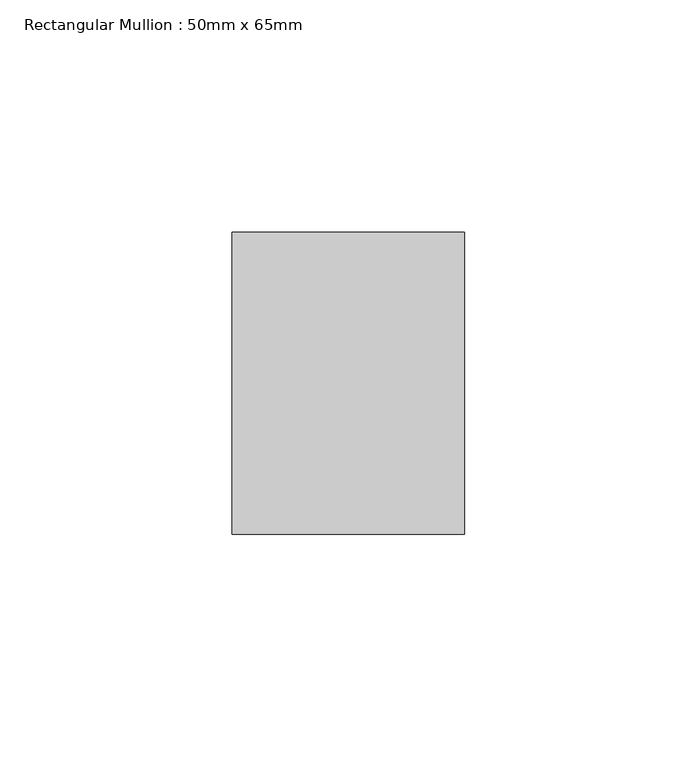
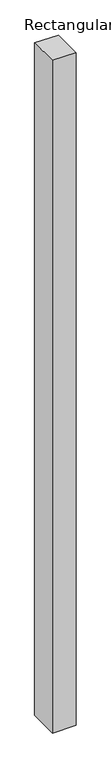
"""IFC4 building model written with IfcOpenShell, lengths in millimetres: member geometry, Rectangular Mullion : 50mm x 65mm."""

import ifcopenshell
import ifcopenshell.guid

model = None  # the IFC model being written
_history = None  # IfcOwnerHistory: only IFC2X3 demands one
_inside = {}  # id of a spatial element -> (the spatial element, [elements in it])
_under = {}  # id of a project, library or spatial element -> (it, [spatial elements below it])
_declared = {}  # id of a project -> (the project, [libraries it declares])
_typed = {}  # id of a type object -> (the type object, [elements of that type])
_made_of = {}  # id of a material, layer set ... -> (it, [elements and type objects made of it])


def new_model(schema):
    """Start an empty IFC model of exactly this schema.

    Asked for "IFC4X3", IfcOpenShell would pick the latest addendum, in which some entities
    have other attributes; the version numbers below select the first issue.
    IFC2X3 requires an IfcOwnerHistory on every rooted entity: one is made here for all.
    """
    global model, _history
    if schema == "IFC4X3":
        model = ifcopenshell.file(schema_version=(4, 3, 0, 0))
    else:
        model = ifcopenshell.file(schema=schema)
    _inside.clear()
    _under.clear()
    _declared.clear()
    _typed.clear()
    _made_of.clear()
    _history = None
    if model.schema == "IFC2X3":
        org = make("IfcOrganization", Name="unknown")
        user = make(
            "IfcPersonAndOrganization",
            ThePerson=make("IfcPerson", FamilyName="unknown"),
            TheOrganization=org,
        )
        app = make(
            "IfcApplication",
            ApplicationDeveloper=org,
            Version="unknown",
            ApplicationFullName="unknown",
            ApplicationIdentifier="unknown",
        )
        _history = make(
            "IfcOwnerHistory",
            OwningUser=user,
            OwningApplication=app,
            ChangeAction="ADDED",
            CreationDate=0,
        )
    return model


def make(cls, **values):
    """One entity of the class cls with the attributes given. An attribute that is None is left unset."""
    return model.create_entity(
        cls, **{name: value for name, value in values.items() if value is not None}
    )


def rooted(cls, **values):
    """An entity with a GlobalId (a new one), such as an element, a storey or a relation."""
    return make(cls, GlobalId=ifcopenshell.guid.new(), OwnerHistory=_history, **values)


def si_unit(unit_type, name, prefix=None):
    """IfcSIUnit, for example si_unit("LENGTHUNIT", "METRE", prefix="MILLI")."""
    return make("IfcSIUnit", UnitType=unit_type, Prefix=prefix, Name=name)


def assignment(units):
    """IfcUnitAssignment: the units of a project."""
    return None if units is None else make("IfcUnitAssignment", Units=units)


def point(xyz):
    """IfcCartesianPoint."""
    return None if xyz is None else make("IfcCartesianPoint", Coordinates=xyz)


def direction(xyz):
    """IfcDirection."""
    return None if xyz is None else make("IfcDirection", DirectionRatios=xyz)


def frame(location, z_axis=None, x_axis=None):
    """IfcAxis2Placement3D, a coordinate frame: its origin and axes. An axis left out is left unset."""
    return make(
        "IfcAxis2Placement3D",
        Location=point(location),
        Axis=direction(z_axis),
        RefDirection=direction(x_axis),
    )


def origin():
    """The frame at (0, 0, 0) with its axes left unset."""
    return frame((0.0, 0.0, 0.0))


def place(relative_to, where):
    """IfcLocalPlacement: puts the frame where relative to a parent placement (None: the world)."""
    return make(
        "IfcLocalPlacement", PlacementRelTo=relative_to, RelativePlacement=where
    )


def context(
    kind, dimensions, precision=None, world=None, true_north=None, identifier=None
):
    """IfcGeometricRepresentationContext, for example the 3D "Model" context."""
    return make(
        "IfcGeometricRepresentationContext",
        ContextIdentifier=identifier,
        ContextType=kind,
        CoordinateSpaceDimension=dimensions,
        Precision=precision,
        WorldCoordinateSystem=world,
        TrueNorth=true_north,
    )


def project(units=None, contexts=None):
    """IfcProject with its units and contexts."""
    return rooted(
        "IfcProject",
        Name="project",
        RepresentationContexts=contexts,
        UnitsInContext=assignment(units),
    )


def spatial(cls, under=None, at=None, **own):
    """A site, building, storey or space (cls), placed at a placement, below another one or the project."""
    s = rooted(cls, ObjectPlacement=at, **own)
    if under is not None:
        _under.setdefault(under.id(), (under, []))[1].append(s)
    return s


def polyline(points):
    """IfcPolyline through the points."""
    return make("IfcPolyline", Points=[point(p) for p in points])


def outline(outer, holes=None, kind="AREA"):
    """IfcArbitraryClosedProfileDef: a profile drawn as a closed curve; with holes, ...WithVoids."""
    if holes is None:
        return make("IfcArbitraryClosedProfileDef", ProfileType=kind, OuterCurve=outer)
    return make(
        "IfcArbitraryProfileDefWithVoids",
        ProfileType=kind,
        OuterCurve=outer,
        InnerCurves=holes,
    )


def extrude(swept, where, along, depth):
    """IfcExtrudedAreaSolid: the profile swept, set in the frame where, extruded along a direction by depth."""
    return make(
        "IfcExtrudedAreaSolid",
        SweptArea=swept,
        Position=where,
        ExtrudedDirection=direction(along),
        Depth=depth,
    )


def shape(context_of_items, identifier, shape_type, items):
    """IfcShapeRepresentation: the items that make up one representation, for example the "Body"."""
    return make(
        "IfcShapeRepresentation",
        ContextOfItems=context_of_items,
        RepresentationIdentifier=identifier,
        RepresentationType=shape_type,
        Items=items,
    )


def source(mapping_origin, context_of_items, identifier, shape_type, items):
    """IfcRepresentationMap: a shape defined once, which mapped items show again and again."""
    return make(
        "IfcRepresentationMap",
        MappingOrigin=mapping_origin,
        MappedRepresentation=shape(context_of_items, identifier, shape_type, items),
    )


def transform(
    local_origin,
    x_axis=None,
    y_axis=None,
    z_axis=None,
    scale=None,
    scale2=None,
    scale3=None,
    uniform=True,
):
    """IfcCartesianTransformationOperator3D, or its non-uniform kind. x_axis, y_axis, z_axis: its Axis1, 2, 3."""
    if uniform:
        return make(
            "IfcCartesianTransformationOperator3D",
            Axis1=direction(x_axis),
            Axis2=direction(y_axis),
            LocalOrigin=point(local_origin),
            Scale=scale,
            Axis3=direction(z_axis),
        )
    return make(
        "IfcCartesianTransformationOperator3DnonUniform",
        Axis1=direction(x_axis),
        Axis2=direction(y_axis),
        LocalOrigin=point(local_origin),
        Scale=scale,
        Axis3=direction(z_axis),
        Scale2=scale2,
        Scale3=scale3,
    )


def mapped(mapping_source, mapping_target):
    """IfcMappedItem: shows the shape of a source again, moved by a transform."""
    return make(
        "IfcMappedItem", MappingSource=mapping_source, MappingTarget=mapping_target
    )


def made_of(thing, what):
    """Note that an element or type object is made of a material, layer set ...; save() writes the relation."""
    if what is not None:
        _made_of.setdefault(what.id(), (what, []))[1].append(thing)
    return thing


def element(
    cls,
    number,
    at=None,
    inside=None,
    cuts=None,
    type_object=None,
    material=None,
    context=None,
    identifier="Body",
    shape_type=None,
    held_by="IfcProductDefinitionShape",
    body=None,
    shapes=None,
    **own,
):
    """One element of the class cls, such as IfcWall. Its Tag is "e" and its number.

    at: its placement. inside: the storey or other place that contains it. cuts: it is an
    opening in that element (IfcRelVoidsElement). A single representation is given by context,
    identifier, shape_type and body (its items); several are given by shapes. held_by: the class
    of the entity that holds the representations. save() writes the other relations.
    """
    e = rooted(cls, Tag="e%d" % number, ObjectPlacement=at, **own)
    if body is not None:
        shapes = [shape(context, identifier, shape_type, body)]
    if shapes is not None:
        e.Representation = make(held_by, Representations=shapes)
    if inside is not None:
        _inside.setdefault(inside.id(), (inside, []))[1].append(e)
    if cuts is not None:
        rooted(
            "IfcRelVoidsElement", RelatingBuildingElement=cuts, RelatedOpeningElement=e
        )
    if type_object is not None:
        _typed.setdefault(type_object.id(), (type_object, []))[1].append(e)
    return made_of(e, material)


def aggregate(whole, parts):
    """IfcRelAggregates: a whole, such as a stair, and the parts it consists of."""
    return rooted("IfcRelAggregates", RelatingObject=whole, RelatedObjects=parts)


def save(model, path):
    """Write the relations noted so far, then the file.

    IfcRelAggregates (storeys below a building ...), IfcRelContainedInSpatialStructure (elements
    in a storey), IfcRelDefinesByType, IfcRelAssociatesMaterial and IfcRelDeclares: one each for
    every whole, place, type object, material and project.
    """
    for whole, parts in _under.values():
        aggregate(whole, parts)
    for where, things in _inside.values():
        rooted(
            "IfcRelContainedInSpatialStructure",
            RelatedElements=things,
            RelatingStructure=where,
        )
    for kind, things in _typed.values():
        rooted("IfcRelDefinesByType", RelatedObjects=things, RelatingType=kind)
    for what, things in _made_of.values():
        rooted("IfcRelAssociatesMaterial", RelatedObjects=things, RelatingMaterial=what)
    for by, libraries in _declared.values():
        rooted("IfcRelDeclares", RelatingContext=by, RelatedDefinitions=libraries)
    model.write(path)


def rectangular_mullion_50mm_x_65mm_5bf47c70(model_context):
    return source(origin(), model_context, "Body", "SweptSolid", [
        extrude(outline(polyline([(-32.5, 0.1073313), (32.5, -0.1073315), (32.5, -1499.9558256), (-32.5, -1500.0444999), (-32.5, 0.1073313)])), frame((-25.0, 0.0, 0.0), z_axis=(1.0, 0.0, 0.0), x_axis=(0.0, 1.0, 0.0)), (0.0, 0.0, 1.0), 50.0),
    ])


if __name__ == "__main__":
    model = new_model("IFC4")
    model_context = context("Model", 3, world=origin())
    ifc_project = project(units=[si_unit("LENGTHUNIT", "METRE", prefix="MILLI")], contexts=[model_context])
    site = spatial("IfcSite", under=ifc_project)
    building = spatial("IfcBuilding", under=site)
    placement = place(None, origin())
    rectangular_mullion_50mm_x_65mm_shape = rectangular_mullion_50mm_x_65mm_5bf47c70(model_context)
    element("IfcMember", 1, ObjectType="Rectangular Mullion : 50mm x 65mm", at=placement, inside=building, context=model_context, shape_type="MappedRepresentation", body=[
        mapped(rectangular_mullion_50mm_x_65mm_shape, transform((0.0, 0.0, 0.0), x_axis=(1.0, 0.0, 0.0), y_axis=(0.0, 1.0, 0.0), z_axis=(0.0, 0.0, 1.0))),
    ])
    save(model, "model.ifc")
